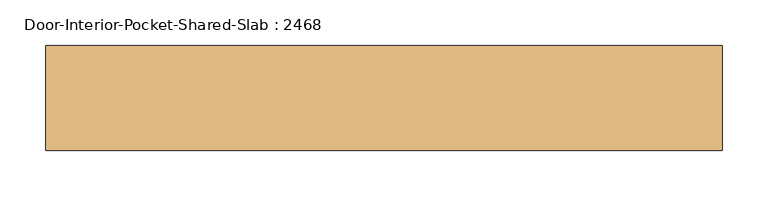
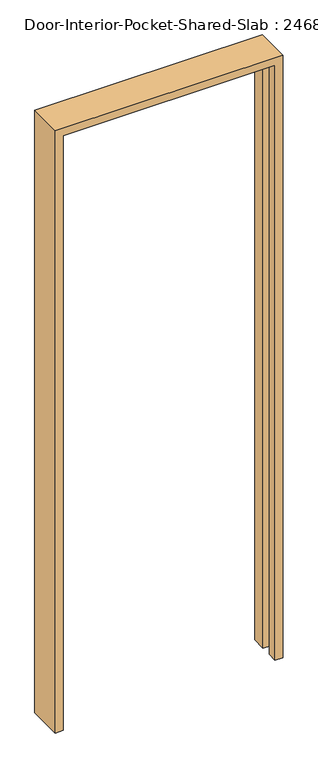
"""IFC4 building model written with IfcOpenShell, lengths in millimetres: door geometry, Door-Interior-Pocket-Shared-Slab : 2468."""

from ifc_helpers import new_model, si_unit, origin, place, context, project, spatial, faceted_brep, source, transform, mapped, element, save


def door_interior_pocket_shared_slab_2468_52508aa2(model_context):
    return source(origin(), model_context, "Body", "Brep", [
        faceted_brep([(355.6, -57.15, 0.0), (355.6, -24.2761727, 0.0), (355.6, -24.2761727, 2032.0), (355.6, 10.6488273, 2032.0), (355.6, 10.6488273, 0.0), (355.6, 57.15, 0.0), (355.6, 57.15, 2057.4), (355.6, -57.15, 2057.4), (-381.0, -57.15, 2057.4), (-381.0, -57.15, 0.0), (-355.6, -57.15, 0.0), (-355.6, -57.15, 2032.0), (330.2, -57.15, 2032.0), (330.2, -57.15, 0.0), (-355.6, 57.15, 2032.0), (330.2, 57.15, 2032.0), (330.2, 10.6488273, 2032.0), (330.2, -24.2761727, 2032.0), (330.2, 57.15, 0.0), (-355.6, 57.15, 0.0), (-381.0, 57.15, 0.0), (-381.0, 57.15, 2057.4), (330.2, -24.2761727, 0.0), (330.2, 10.6488273, 0.0)], [[[0, 1, 2, 3, 4, 5, 6, 7]], [[0, 7, 8, 9, 10, 11, 12, 13]], [[11, 14, 15, 16, 3, 2, 17, 12]], [[6, 5, 18, 15, 14, 19, 20, 21]], [[6, 21, 8, 7]], [[10, 9, 20, 19]], [[11, 10, 19, 14]], [[9, 8, 21, 20]], [[1, 0, 13, 22]], [[5, 4, 23, 18]], [[18, 23, 16, 15]], [[23, 4, 3, 16]], [[1, 22, 17, 2]], [[22, 13, 12, 17]]]),
    ])


if __name__ == "__main__":
    model = new_model("IFC4")
    model_context = context("Model", 3, world=origin())
    ifc_project = project(units=[si_unit("LENGTHUNIT", "METRE", prefix="MILLI")], contexts=[model_context])
    site = spatial("IfcSite", under=ifc_project)
    building = spatial("IfcBuilding", under=site)
    placement = place(None, origin())
    door_interior_pocket_shared_slab_2468_shape = door_interior_pocket_shared_slab_2468_52508aa2(model_context)
    element("IfcDoor", 1, ObjectType="Door-Interior-Pocket-Shared-Slab : 2468", at=placement, inside=building, context=model_context, shape_type="MappedRepresentation", body=[
        mapped(door_interior_pocket_shared_slab_2468_shape, transform((0.0, 0.0, 0.0), x_axis=(1.0, 0.0, 0.0), y_axis=(0.0, 1.0, 0.0), z_axis=(0.0, 0.0, 1.0))),
    ])
    save(model, "model.ifc")
